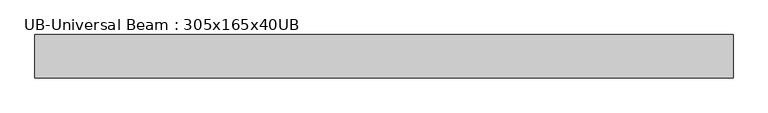
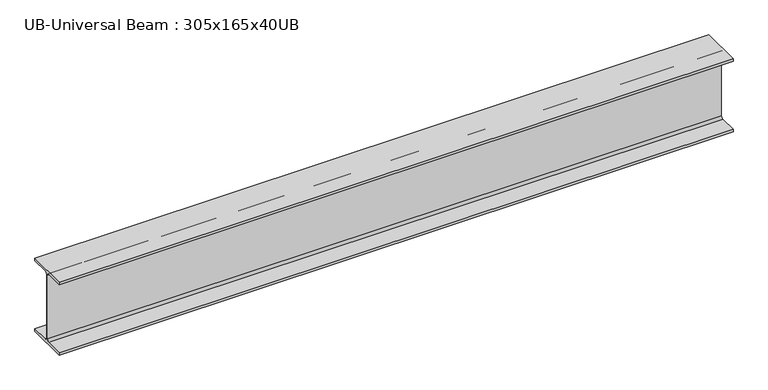
"""IFC4 building model written with IfcOpenShell, lengths in millimetres: beam geometry, UB-Universal Beam : 305x165x40UB."""

from ifc_helpers import new_model, si_unit, point, frame, frame_2d, origin, place, context, project, spatial, polyline, circle_curve, trimmed, segment, composite_curve, outline, extrude, source, transform, mapped, element, save


def ub_universal_beam_305x165x40ub_8112ab9f(model_context):
    return source(origin(), model_context, "Body", "SweptSolid", [
        extrude(outline(composite_curve([segment(polyline([(82.5, -141.5), (82.5, -151.7), (-82.5, -151.7), (-82.5, -141.5), (-11.9, -141.5)]), True, "CONTINUOUS"), segment(trimmed(circle_curve(frame_2d((-11.9, -132.6)), 8.9), [point((-11.9, -141.5))], [point((-3.0, -132.6))], True, "CARTESIAN"), True, "CONTINUOUS"), segment(polyline([(-3.0, -132.6), (-3.0, 132.6)]), True, "CONTINUOUS"), segment(trimmed(circle_curve(frame_2d((-11.9, 132.6)), 8.9), [point((-3.0, 132.6))], [point((-11.9, 141.5))], True, "CARTESIAN"), True, "CONTINUOUS"), segment(polyline([(-11.9, 141.5), (-82.5, 141.5), (-82.5, 151.7), (82.5, 151.7), (82.5, 141.5), (11.9, 141.5)]), True, "CONTINUOUS"), segment(trimmed(circle_curve(frame_2d((11.9, 132.6)), 8.9), [point((11.9, 141.5))], [point((3.0, 132.6))], True, "CARTESIAN"), True, "CONTINUOUS"), segment(polyline([(3.0, 132.6), (3.0, -132.6)]), True, "CONTINUOUS"), segment(trimmed(circle_curve(frame_2d((11.9, -132.6)), 8.9), [point((3.0, -132.6))], [point((11.9, -141.5))], True, "CARTESIAN"), True, "CONTINUOUS"), segment(polyline([(11.9, -141.5), (82.5, -141.5)]), True, "CONTINUOUS")], self_intersect=False)), frame((-1357.5978021, 0.0, 0.0), z_axis=(1.0, 0.0, 0.0), x_axis=(0.0, 1.0, 0.0)), (0.0, 0.0, 1.0), 2651.7559589),
    ])


if __name__ == "__main__":
    model = new_model("IFC4")
    model_context = context("Model", 3, world=origin())
    ifc_project = project(units=[si_unit("LENGTHUNIT", "METRE", prefix="MILLI")], contexts=[model_context])
    site = spatial("IfcSite", under=ifc_project)
    building = spatial("IfcBuilding", under=site)
    placement = place(None, origin())
    ub_universal_beam_305x165x40ub_shape = ub_universal_beam_305x165x40ub_8112ab9f(model_context)
    element("IfcBeam", 1, ObjectType="UB-Universal Beam : 305x165x40UB", at=placement, inside=building, context=model_context, shape_type="MappedRepresentation", body=[
        mapped(ub_universal_beam_305x165x40ub_shape, transform((0.0, 0.0, 0.0), x_axis=(1.0, 0.0, 0.0), y_axis=(0.0, 1.0, 0.0), z_axis=(0.0, 0.0, 1.0))),
    ])
    save(model, "model.ifc")
